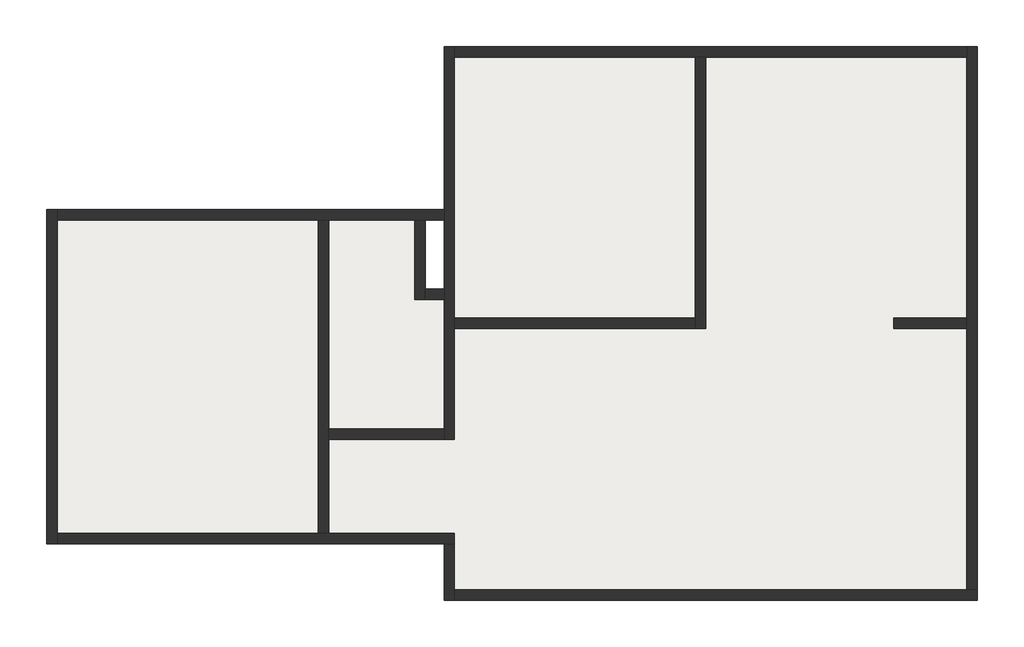
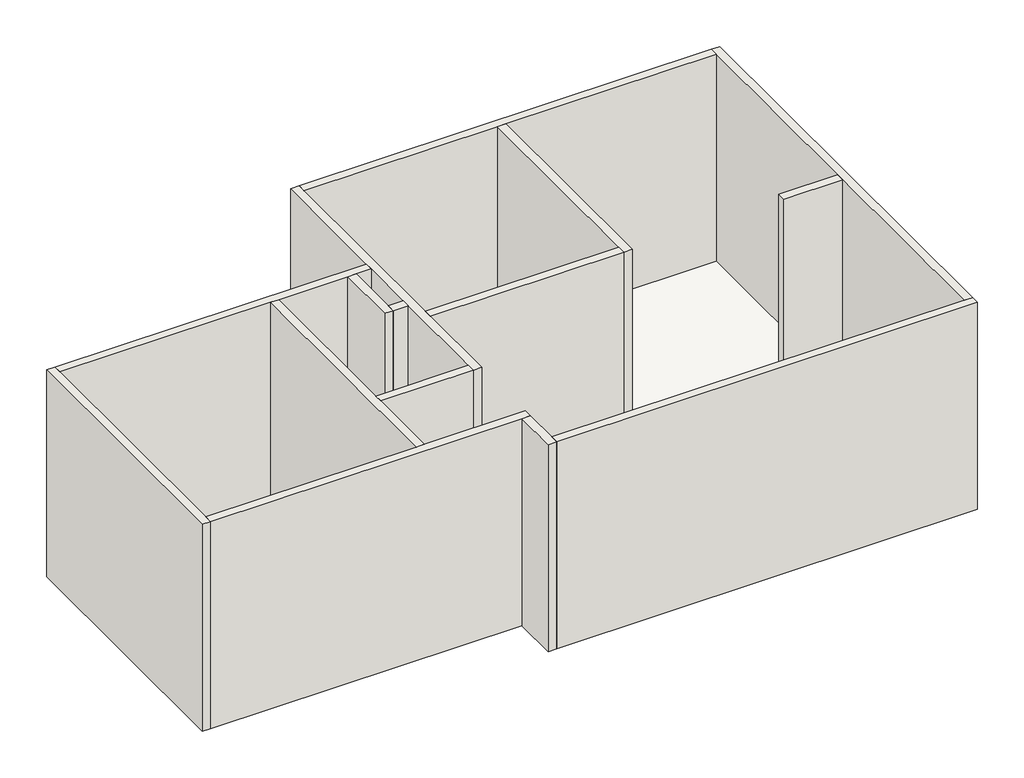
# One storey: 15 walls, 4 slabs.
"""IFC4 building model written with IfcOpenShell, lengths in millimetres."""

from ifc_helpers import new_model, si_unit, frame, origin, origin_with_axes, place, context, project, spatial, polyline, outline, extrude, faceted_brep, element, save

model = new_model("IFC4")

# Units and contexts
model_context = context("Model", 3, world=origin())
ifc_project = project(units=[si_unit("LENGTHUNIT", "METRE", prefix="MILLI")], contexts=[model_context])

# Site, building, storey
site = spatial("IfcSite", under=ifc_project)
building = spatial("IfcBuilding", under=site)
storey = spatial("IfcBuildingStorey", under=building, Elevation=0.0)

# Slabs
placement = place(None, origin())
element("IfcSlab", 1, at=placement, inside=storey, context=model_context, shape_type="SweptSolid", body=[
    extrude(outline(polyline([(-8165.678186, -5411.8587492), (-8165.678186, -2411.8587492), (-5665.678186, -2411.8587492), (-5665.678186, -4461.8587492), (-5665.678186, -5411.8587492), (-8165.678186, -5411.8587492)])), frame((0.0, 0.0, -50.0), z_axis=(0.0, 0.0, 1.0), x_axis=(1.0, 0.0, 0.0)), (0.0, 0.0, 1.0), 50.0),
])
element("IfcSlab", 2, at=placement, inside=storey, context=model_context, shape_type="SweptSolid", body=[
    extrude(outline(polyline([(-2065.678186, -851.8587492), (-2065.678186, -3351.8587492), (-4365.678186, -3351.8587492), (-4365.678186, -3121.8587492), (-4365.678186, -2361.8587492), (-4365.678186, -851.8587492), (-2065.678186, -851.8587492)])), frame((0.0, 0.0, -50.0), z_axis=(0.0, 0.0, 1.0), x_axis=(1.0, 0.0, 0.0)), (0.0, 0.0, 1.0), 50.0),
])
element("IfcSlab", 3, at=placement, inside=storey, context=model_context, shape_type="SweptSolid", body=[
    extrude(outline(polyline([(-5565.678186, -5411.8587492), (-5565.678186, -4511.8587492), (-4365.678186, -4511.8587492), (-4365.678186, -3451.8587492), (-1965.678186, -3451.8587492), (-1965.678186, -851.8587492), (534.321814, -851.8587492), (534.321814, -3351.8587492), (-165.678186, -3351.8587492), (-165.678186, -3451.8587492), (534.321814, -3451.8587492), (534.321814, -5951.8587492), (-4365.678186, -5951.8587492), (-4365.678186, -5411.8587492), (-5565.678186, -5411.8587492)])), frame((0.0, 0.0, -50.0), z_axis=(0.0, 0.0, 1.0), x_axis=(1.0, 0.0, 0.0)), (0.0, 0.0, 1.0), 50.0),
])
element("IfcSlab", 4, at=placement, inside=storey, context=model_context, shape_type="SweptSolid", body=[
    extrude(outline(polyline([(-5565.678186, -2411.8587492), (-4745.678186, -2411.8587492), (-4745.678186, -3171.8587492), (-4465.678186, -3171.8587492), (-4465.678186, -3401.8587492), (-4465.678186, -4411.8587492), (-5565.678186, -4411.8587492), (-5565.678186, -2411.8587492)])), frame((0.0, 0.0, -50.0), z_axis=(0.0, 0.0, 1.0), x_axis=(1.0, 0.0, 0.0)), (0.0, 0.0, 1.0), 50.0),
])

# Walls
element("IfcWall", 5, ObjectType="10 cm", at=placement, inside=storey, context=model_context, shape_type="Brep", body=[
    faceted_brep([(-8265.678186, -2311.8587492, 0.0), (-8265.678186, -5511.8587492, 0.0), (-8265.678186, -5511.8587492, 2600.0), (-8265.678186, -2311.8587492, 2600.0), (-8165.678186, -2311.8587492, 0.0), (-8165.678186, -2311.8587492, 2600.0), (-8165.678186, -2411.8587492, 2600.0), (-8165.678186, -5411.8587492, 2600.0), (-8165.678186, -5511.8587492, 2600.0), (-8165.678186, -5511.8587492, 0.0), (-8165.678186, -5411.8587492, 0.0), (-8165.678186, -2411.8587492, 0.0)], [[[0, 1, 2, 3]], [[4, 5, 6, 7, 8, 9, 10, 11]], [[1, 0, 4, 11, 10, 9]], [[3, 2, 8, 7, 6, 5]], [[2, 1, 9, 8]], [[0, 3, 5, 4]]]),
])
element("IfcWall", 6, ObjectType="10 cm", at=placement, inside=storey, context=model_context, shape_type="Brep", body=[
    faceted_brep([(-4465.678186, -2311.8587492, 0.0), (-8165.678186, -2311.8587492, 0.0), (-8165.678186, -2311.8587492, 2600.0), (-4465.678186, -2311.8587492, 2600.0), (-4465.678186, -2411.8587492, 0.0), (-4465.678186, -2411.8587492, 2600.0), (-4645.678186, -2411.8587492, 2600.0), (-4745.678186, -2411.8587492, 2600.0), (-5565.678186, -2411.8587492, 2600.0), (-5665.678186, -2411.8587492, 2600.0), (-8165.678186, -2411.8587492, 2600.0), (-8165.678186, -2411.8587492, 0.0), (-5665.678186, -2411.8587492, 0.0), (-5565.678186, -2411.8587492, 0.0), (-4745.678186, -2411.8587492, 0.0), (-4645.678186, -2411.8587492, 0.0)], [[[0, 1, 2, 3]], [[4, 5, 6, 7, 8, 9, 10, 11, 12, 13, 14, 15]], [[1, 0, 4, 15, 14, 13, 12, 11]], [[3, 2, 10, 9, 8, 7, 6, 5]], [[2, 1, 11, 10]], [[0, 3, 5, 4]]]),
])
element("IfcWall", 7, ObjectType="10 cm", at=placement, inside=storey, context=model_context, shape_type="Brep", body=[
    faceted_brep([(-5665.678186, -2411.8587492, 0.0), (-5665.678186, -5411.8587492, 0.0), (-5665.678186, -5411.8587492, 2600.0), (-5665.678186, -2411.8587492, 2600.0), (-5565.678186, -2411.8587492, 0.0), (-5565.678186, -2411.8587492, 2600.0), (-5565.678186, -4411.8587492, 2600.0), (-5565.678186, -4511.8587492, 2600.0), (-5565.678186, -5411.8587492, 2600.0), (-5565.678186, -5411.8587492, 0.0), (-5565.678186, -4511.8587492, 0.0), (-5565.678186, -4411.8587492, 0.0)], [[[0, 1, 2, 3]], [[4, 5, 6, 7, 8, 9, 10, 11]], [[1, 0, 4, 11, 10, 9]], [[3, 2, 8, 7, 6, 5]], [[0, 3, 5, 4]], [[2, 1, 9, 8]]]),
])
element("IfcWall", 8, ObjectType="10 cm", at=placement, inside=storey, context=model_context, shape_type="Brep", body=[
    faceted_brep([(-8165.678186, -5511.8587492, 0.0), (-4465.678186, -5511.8587492, 0.0), (-4365.678186, -5511.8587492, 0.0), (-4365.678186, -5511.8587492, 2600.0), (-4465.678186, -5511.8587492, 2600.0), (-8165.678186, -5511.8587492, 2600.0), (-8165.678186, -5411.8587492, 0.0), (-8165.678186, -5411.8587492, 2600.0), (-5665.678186, -5411.8587492, 2600.0), (-5565.678186, -5411.8587492, 2600.0), (-4365.678186, -5411.8587492, 2600.0), (-4365.678186, -5411.8587492, 0.0), (-5565.678186, -5411.8587492, 0.0), (-5665.678186, -5411.8587492, 0.0)], [[[0, 1, 2, 3, 4, 5]], [[6, 7, 8, 9, 10, 11, 12, 13]], [[2, 1, 0, 6, 13, 12, 11]], [[5, 4, 3, 10, 9, 8, 7]], [[3, 2, 11, 10]], [[0, 5, 7, 6]]]),
])
element("IfcWall", 9, ObjectType="10 cm", at=placement, inside=storey, context=model_context, shape_type="Brep", body=[
    faceted_brep([(-4465.678186, -5511.8587492, 0.0), (-4465.678186, -6051.8587492, 0.0), (-4465.678186, -6051.8587492, 2600.0), (-4465.678186, -5511.8587492, 2600.0), (-4365.678186, -5511.8587492, 0.0), (-4365.678186, -5511.8587492, 2600.0), (-4365.678186, -5951.8587492, 2600.0), (-4365.678186, -6051.8587492, 2600.0), (-4365.678186, -6051.8587492, 0.0), (-4365.678186, -5951.8587492, 0.0)], [[[0, 1, 2, 3]], [[4, 5, 6, 7, 8, 9]], [[1, 0, 4, 9, 8]], [[3, 2, 7, 6, 5]], [[2, 1, 8, 7]], [[0, 3, 5, 4]]]),
])
element("IfcWall", 10, ObjectType="10 cm", at=placement, inside=storey, context=model_context, shape_type="Brep", body=[
    faceted_brep([(-4365.678186, -6051.8587492, 0.0), (634.321814, -6051.8587492, 0.0), (634.321814, -6051.8587492, 2600.0), (-4365.678186, -6051.8587492, 2600.0), (-4365.678186, -5951.8587492, 0.0), (-4365.678186, -5951.8587492, 2600.0), (534.321814, -5951.8587492, 2600.0), (634.321814, -5951.8587492, 2600.0), (634.321814, -5951.8587492, 0.0), (534.321814, -5951.8587492, 0.0)], [[[0, 1, 2, 3]], [[4, 5, 6, 7, 8, 9]], [[1, 0, 4, 9, 8]], [[3, 2, 7, 6, 5]], [[2, 1, 8, 7]], [[0, 3, 5, 4]]]),
])
element("IfcWall", 11, ObjectType="10 cm", at=placement, inside=storey, context=model_context, shape_type="Brep", body=[
    faceted_brep([(634.321814, -5951.8587492, 0.0), (634.321814, -751.8587492, 0.0), (634.321814, -751.8587492, 2600.0), (634.321814, -5951.8587492, 2600.0), (534.321814, -5951.8587492, 0.0), (534.321814, -5951.8587492, 2600.0), (534.321814, -3451.8587492, 2600.0), (534.321814, -3351.8587492, 2600.0), (534.321814, -851.8587492, 2600.0), (534.321814, -751.8587492, 2600.0), (534.321814, -751.8587492, 0.0), (534.321814, -851.8587492, 0.0), (534.321814, -3351.8587492, 0.0), (534.321814, -3451.8587492, 0.0)], [[[0, 1, 2, 3]], [[4, 5, 6, 7, 8, 9, 10, 11, 12, 13]], [[1, 0, 4, 13, 12, 11, 10]], [[3, 2, 9, 8, 7, 6, 5]], [[2, 1, 10, 9]], [[0, 3, 5, 4]]]),
])
element("IfcWall", 12, ObjectType="10 cm", at=placement, inside=storey, context=model_context, shape_type="Brep", body=[
    faceted_brep([(-1965.678186, -3451.8587492, 0.0), (-1965.678186, -851.8587492, 0.0), (-1965.678186, -851.8587492, 2600.0), (-1965.678186, -3451.8587492, 2600.0), (-2065.678186, -3451.8587492, 0.0), (-2065.678186, -3451.8587492, 2600.0), (-2065.678186, -3351.8587492, 2600.0), (-2065.678186, -851.8587492, 2600.0), (-2065.678186, -851.8587492, 0.0), (-2065.678186, -3351.8587492, 0.0)], [[[0, 1, 2, 3]], [[4, 5, 6, 7, 8, 9]], [[1, 0, 4, 9, 8]], [[3, 2, 7, 6, 5]], [[0, 3, 5, 4]], [[2, 1, 8, 7]]]),
])
element("IfcWall", 13, ObjectType="10 cm", at=placement, inside=storey, context=model_context, shape_type="SweptSolid", body=[
    extrude(outline(polyline([(-2065.678186, -3451.8587492), (-4365.678186, -3451.8587492), (-4365.678186, -3351.8587492), (-2065.678186, -3351.8587492), (-2065.678186, -3451.8587492)])), origin_with_axes(), (0.0, 0.0, 1.0), 2600.0),
])
element("IfcWall", 14, ObjectType="10 cm", at=placement, inside=storey, context=model_context, shape_type="Brep", body=[
    faceted_brep([(-4365.678186, -4511.8587492, 0.0), (-4365.678186, -3451.8587492, 0.0), (-4365.678186, -3351.8587492, 0.0), (-4365.678186, -851.8587492, 0.0), (-4365.678186, -751.8587492, 0.0), (-4365.678186, -751.8587492, 2600.0), (-4365.678186, -851.8587492, 2600.0), (-4365.678186, -3351.8587492, 2600.0), (-4365.678186, -3451.8587492, 2600.0), (-4365.678186, -4511.8587492, 2600.0), (-4465.678186, -4511.8587492, 0.0), (-4465.678186, -4511.8587492, 2600.0), (-4465.678186, -4411.8587492, 2600.0), (-4465.678186, -3171.8587492, 2600.0), (-4465.678186, -3071.8587492, 2600.0), (-4465.678186, -2411.8587492, 2600.0), (-4465.678186, -2311.8587492, 2600.0), (-4465.678186, -751.8587492, 2600.0), (-4465.678186, -751.8587492, 0.0), (-4465.678186, -2311.8587492, 0.0), (-4465.678186, -2411.8587492, 0.0), (-4465.678186, -3071.8587492, 0.0), (-4465.678186, -3171.8587492, 0.0), (-4465.678186, -4411.8587492, 0.0)], [[[0, 1, 2, 3, 4, 5, 6, 7, 8, 9]], [[10, 11, 12, 13, 14, 15, 16, 17, 18, 19, 20, 21, 22, 23]], [[4, 3, 2, 1, 0, 10, 23, 22, 21, 20, 19, 18]], [[9, 8, 7, 6, 5, 17, 16, 15, 14, 13, 12, 11]], [[5, 4, 18, 17]], [[0, 9, 11, 10]]]),
])
element("IfcWall", 15, ObjectType="10 cm", at=placement, inside=storey, context=model_context, shape_type="SweptSolid", body=[
    extrude(outline(polyline([(-4465.678186, -4511.8587492), (-5565.678186, -4511.8587492), (-5565.678186, -4411.8587492), (-4465.678186, -4411.8587492), (-4465.678186, -4511.8587492)])), origin_with_axes(), (0.0, 0.0, 1.0), 2600.0),
])
element("IfcWall", 16, ObjectType="10 cm", at=placement, inside=storey, context=model_context, shape_type="Brep", body=[
    faceted_brep([(534.321814, -751.8587492, 0.0), (-4365.678186, -751.8587492, 0.0), (-4365.678186, -751.8587492, 2600.0), (534.321814, -751.8587492, 2600.0), (534.321814, -851.8587492, 0.0), (534.321814, -851.8587492, 2600.0), (-1965.678186, -851.8587492, 2600.0), (-2065.678186, -851.8587492, 2600.0), (-4365.678186, -851.8587492, 2600.0), (-4365.678186, -851.8587492, 0.0), (-2065.678186, -851.8587492, 0.0), (-1965.678186, -851.8587492, 0.0)], [[[0, 1, 2, 3]], [[4, 5, 6, 7, 8, 9, 10, 11]], [[1, 0, 4, 11, 10, 9]], [[3, 2, 8, 7, 6, 5]], [[0, 3, 5, 4]], [[2, 1, 9, 8]]]),
])
element("IfcWall", 17, ObjectType="10 cm", at=placement, inside=storey, context=model_context, shape_type="SweptSolid", body=[
    extrude(outline(polyline([(534.321814, -3451.8587492), (-165.678186, -3451.8587492), (-165.678186, -3351.8587492), (534.321814, -3351.8587492), (534.321814, -3451.8587492)])), origin_with_axes(), (0.0, 0.0, 1.0), 2600.0),
])
element("IfcWall", 18, ObjectType="10 cm", at=placement, inside=storey, context=model_context, shape_type="Brep", body=[
    faceted_brep([(-4745.678186, -2411.8587492, 0.0), (-4745.678186, -3171.8587492, 0.0), (-4745.678186, -3171.8587492, 2600.0), (-4745.678186, -2411.8587492, 2600.0), (-4645.678186, -2411.8587492, 0.0), (-4645.678186, -2411.8587492, 2600.0), (-4645.678186, -3071.8587492, 2600.0), (-4645.678186, -3171.8587492, 2600.0), (-4645.678186, -3171.8587492, 0.0), (-4645.678186, -3071.8587492, 0.0)], [[[0, 1, 2, 3]], [[4, 5, 6, 7, 8, 9]], [[1, 0, 4, 9, 8]], [[3, 2, 7, 6, 5]], [[2, 1, 8, 7]], [[0, 3, 5, 4]]]),
])
element("IfcWall", 19, ObjectType="10 cm", at=placement, inside=storey, context=model_context, shape_type="SweptSolid", body=[
    extrude(outline(polyline([(-4465.678186, -3171.8587492), (-4645.678186, -3171.8587492), (-4645.678186, -3071.8587492), (-4465.678186, -3071.8587492), (-4465.678186, -3171.8587492)])), origin_with_axes(), (0.0, 0.0, 1.0), 2600.0),
])

save(model, "model.ifc")
